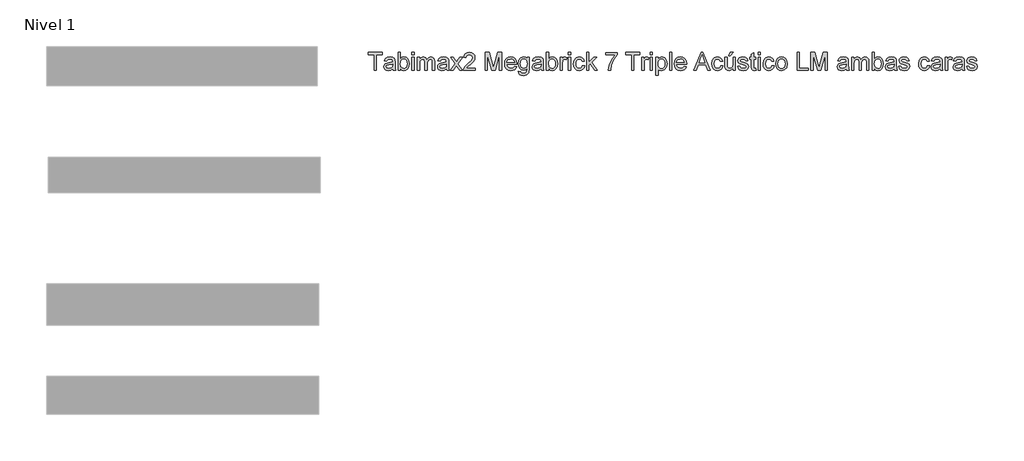
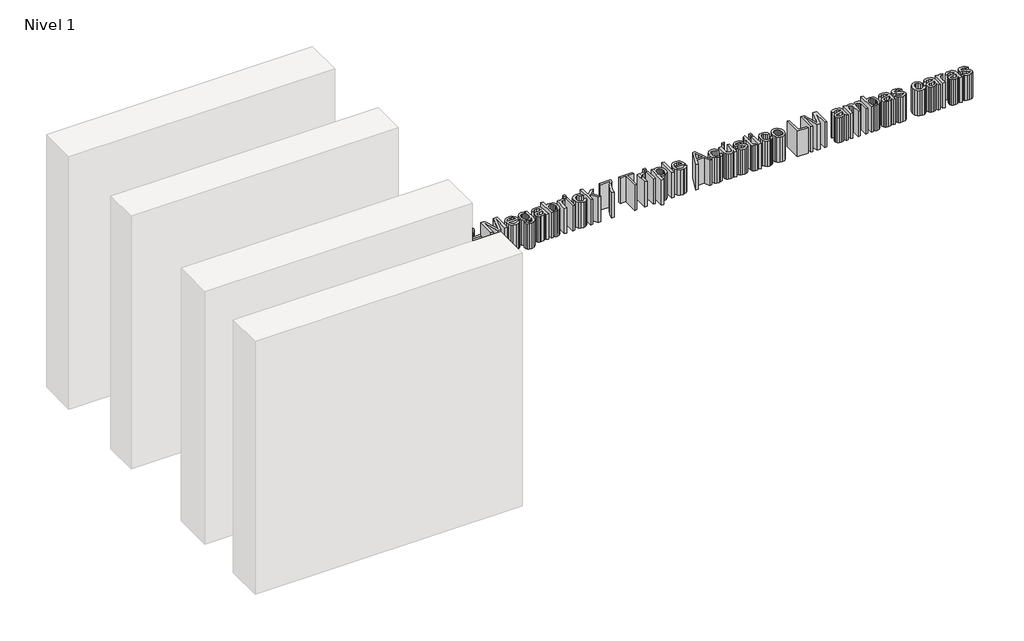
# One storey, part 2 of 2: 1 proxy.
"""IFC4 building model written with IfcOpenShell, lengths in millimetres."""

import ifcopenshell
import ifcopenshell.guid

model = None  # the IFC model being written
_history = None  # IfcOwnerHistory: only IFC2X3 demands one
_inside = {}  # id of a spatial element -> (the spatial element, [elements in it])
_under = {}  # id of a project, library or spatial element -> (it, [spatial elements below it])
_declared = {}  # id of a project -> (the project, [libraries it declares])
_typed = {}  # id of a type object -> (the type object, [elements of that type])
_made_of = {}  # id of a material, layer set ... -> (it, [elements and type objects made of it])


def new_model(schema):
    """Start an empty IFC model of exactly this schema.

    Asked for "IFC4X3", IfcOpenShell would pick the latest addendum, in which some entities
    have other attributes; the version numbers below select the first issue.
    IFC2X3 requires an IfcOwnerHistory on every rooted entity: one is made here for all.
    """
    global model, _history
    if schema == "IFC4X3":
        model = ifcopenshell.file(schema_version=(4, 3, 0, 0))
    else:
        model = ifcopenshell.file(schema=schema)
    _inside.clear()
    _under.clear()
    _declared.clear()
    _typed.clear()
    _made_of.clear()
    _history = None
    if model.schema == "IFC2X3":
        org = make("IfcOrganization", Name="unknown")
        user = make(
            "IfcPersonAndOrganization",
            ThePerson=make("IfcPerson", FamilyName="unknown"),
            TheOrganization=org,
        )
        app = make(
            "IfcApplication",
            ApplicationDeveloper=org,
            Version="unknown",
            ApplicationFullName="unknown",
            ApplicationIdentifier="unknown",
        )
        _history = make(
            "IfcOwnerHistory",
            OwningUser=user,
            OwningApplication=app,
            ChangeAction="ADDED",
            CreationDate=0,
        )
    return model


def make(cls, **values):
    """One entity of the class cls with the attributes given. An attribute that is None is left unset."""
    return model.create_entity(
        cls, **{name: value for name, value in values.items() if value is not None}
    )


def rooted(cls, **values):
    """An entity with a GlobalId (a new one), such as an element, a storey or a relation."""
    return make(cls, GlobalId=ifcopenshell.guid.new(), OwnerHistory=_history, **values)


def si_unit(unit_type, name, prefix=None):
    """IfcSIUnit, for example si_unit("LENGTHUNIT", "METRE", prefix="MILLI")."""
    return make("IfcSIUnit", UnitType=unit_type, Prefix=prefix, Name=name)


def assignment(units):
    """IfcUnitAssignment: the units of a project."""
    return None if units is None else make("IfcUnitAssignment", Units=units)


def point(xyz):
    """IfcCartesianPoint."""
    return None if xyz is None else make("IfcCartesianPoint", Coordinates=xyz)


def direction(xyz):
    """IfcDirection."""
    return None if xyz is None else make("IfcDirection", DirectionRatios=xyz)


def frame(location, z_axis=None, x_axis=None):
    """IfcAxis2Placement3D, a coordinate frame: its origin and axes. An axis left out is left unset."""
    return make(
        "IfcAxis2Placement3D",
        Location=point(location),
        Axis=direction(z_axis),
        RefDirection=direction(x_axis),
    )


def origin():
    """The frame at (0, 0, 0) with its axes left unset."""
    return frame((0.0, 0.0, 0.0))


def origin_with_axes():
    """The frame at (0, 0, 0) with the z axis (0, 0, 1) and the x axis (1, 0, 0) written out."""
    return frame((0.0, 0.0, 0.0), z_axis=(0.0, 0.0, 1.0), x_axis=(1.0, 0.0, 0.0))


def place(relative_to, where):
    """IfcLocalPlacement: puts the frame where relative to a parent placement (None: the world)."""
    return make(
        "IfcLocalPlacement", PlacementRelTo=relative_to, RelativePlacement=where
    )


def context(
    kind, dimensions, precision=None, world=None, true_north=None, identifier=None
):
    """IfcGeometricRepresentationContext, for example the 3D "Model" context."""
    return make(
        "IfcGeometricRepresentationContext",
        ContextIdentifier=identifier,
        ContextType=kind,
        CoordinateSpaceDimension=dimensions,
        Precision=precision,
        WorldCoordinateSystem=world,
        TrueNorth=true_north,
    )


def project(units=None, contexts=None):
    """IfcProject with its units and contexts."""
    return rooted(
        "IfcProject",
        Name="project",
        RepresentationContexts=contexts,
        UnitsInContext=assignment(units),
    )


def spatial(cls, under=None, at=None, **own):
    """A site, building, storey or space (cls), placed at a placement, below another one or the project."""
    s = rooted(cls, ObjectPlacement=at, **own)
    if under is not None:
        _under.setdefault(under.id(), (under, []))[1].append(s)
    return s


def polyline(points):
    """IfcPolyline through the points."""
    return make("IfcPolyline", Points=[point(p) for p in points])


def outline(outer, holes=None, kind="AREA"):
    """IfcArbitraryClosedProfileDef: a profile drawn as a closed curve; with holes, ...WithVoids."""
    if holes is None:
        return make("IfcArbitraryClosedProfileDef", ProfileType=kind, OuterCurve=outer)
    return make(
        "IfcArbitraryProfileDefWithVoids",
        ProfileType=kind,
        OuterCurve=outer,
        InnerCurves=holes,
    )


def extrude(swept, where, along, depth):
    """IfcExtrudedAreaSolid: the profile swept, set in the frame where, extruded along a direction by depth."""
    return make(
        "IfcExtrudedAreaSolid",
        SweptArea=swept,
        Position=where,
        ExtrudedDirection=direction(along),
        Depth=depth,
    )


def shape(context_of_items, identifier, shape_type, items):
    """IfcShapeRepresentation: the items that make up one representation, for example the "Body"."""
    return make(
        "IfcShapeRepresentation",
        ContextOfItems=context_of_items,
        RepresentationIdentifier=identifier,
        RepresentationType=shape_type,
        Items=items,
    )


def made_of(thing, what):
    """Note that an element or type object is made of a material, layer set ...; save() writes the relation."""
    if what is not None:
        _made_of.setdefault(what.id(), (what, []))[1].append(thing)
    return thing


def element(
    cls,
    number,
    at=None,
    inside=None,
    cuts=None,
    type_object=None,
    material=None,
    context=None,
    identifier="Body",
    shape_type=None,
    held_by="IfcProductDefinitionShape",
    body=None,
    shapes=None,
    **own,
):
    """One element of the class cls, such as IfcWall. Its Tag is "e" and its number.

    at: its placement. inside: the storey or other place that contains it. cuts: it is an
    opening in that element (IfcRelVoidsElement). A single representation is given by context,
    identifier, shape_type and body (its items); several are given by shapes. held_by: the class
    of the entity that holds the representations. save() writes the other relations.
    """
    e = rooted(cls, Tag="e%d" % number, ObjectPlacement=at, **own)
    if body is not None:
        shapes = [shape(context, identifier, shape_type, body)]
    if shapes is not None:
        e.Representation = make(held_by, Representations=shapes)
    if inside is not None:
        _inside.setdefault(inside.id(), (inside, []))[1].append(e)
    if cuts is not None:
        rooted(
            "IfcRelVoidsElement", RelatingBuildingElement=cuts, RelatedOpeningElement=e
        )
    if type_object is not None:
        _typed.setdefault(type_object.id(), (type_object, []))[1].append(e)
    return made_of(e, material)


def aggregate(whole, parts):
    """IfcRelAggregates: a whole, such as a stair, and the parts it consists of."""
    return rooted("IfcRelAggregates", RelatingObject=whole, RelatedObjects=parts)


def save(model, path):
    """Write the relations noted so far, then the file.

    IfcRelAggregates (storeys below a building ...), IfcRelContainedInSpatialStructure (elements
    in a storey), IfcRelDefinesByType, IfcRelAssociatesMaterial and IfcRelDeclares: one each for
    every whole, place, type object, material and project.
    """
    for whole, parts in _under.values():
        aggregate(whole, parts)
    for where, things in _inside.values():
        rooted(
            "IfcRelContainedInSpatialStructure",
            RelatedElements=things,
            RelatingStructure=where,
        )
    for kind, things in _typed.values():
        rooted("IfcRelDefinesByType", RelatedObjects=things, RelatingType=kind)
    for what, things in _made_of.values():
        rooted("IfcRelAssociatesMaterial", RelatedObjects=things, RelatingMaterial=what)
    for by, libraries in _declared.values():
        rooted("IfcRelDeclares", RelatingContext=by, RelatedDefinitions=libraries)
    model.write(path)


model = new_model("IFC4")

# Units and contexts
model_context = context("Model", 3, world=origin())
ifc_project = project(units=[si_unit("LENGTHUNIT", "METRE", prefix="MILLI")], contexts=[model_context])

# Site, building, storey
site = spatial("IfcSite", under=ifc_project)
building = spatial("IfcBuilding", under=site)
storey = spatial("IfcBuildingStorey", under=building, Name="Nivel 1", Elevation=0.0)

# Proxy
placement = place(None, origin())
element("IfcBuildingElementProxy", 1, Name="Texto de modelo 1", ObjectType="Texto de modelo 1", at=placement, inside=storey, context=model_context, shape_type="SweptSolid", body=[
    extrude(outline(polyline([(-13487.1634746, 9189.7919322), (-13487.1634746, 9275.9457784), (-13519.471167, 9275.9457784), (-13519.471167, 9288.2534707), (-13442.54809, 9288.2534707), (-13442.54809, 9275.9457784), (-13474.8557823, 9275.9457784), (-13474.8557823, 9189.7919322), (-13487.1634746, 9189.7919322)])), origin_with_axes(), (0.0, 0.0, 1.0), 150.0),
    extrude(outline(polyline([(-13384.0865516, 9199.0227014), (-13396.0216477, 9190.6813553), (-13409.2067439, 9188.2534707), (-13419.4922006, 9189.7138072), (-13427.07934, 9194.0948168), (-13431.7578256, 9200.7474611), (-13433.3173208, 9209.0227014), (-13430.9615516, 9218.7582784), (-13424.7716477, 9225.8255861), (-13416.1538593, 9229.8640476), (-13405.5048208, 9231.7150091), (-13384.158667, 9235.9457784), (-13384.0865516, 9238.686163), (-13387.4759746, 9247.7727014), (-13401.0817439, 9251.3303938), (-13413.533667, 9248.9626053), (-13419.471167, 9240.561163), (-13431.7788593, 9242.0996245), (-13426.45434, 9254.1188553), (-13415.7331862, 9261.1621245), (-13399.4952054, 9263.6380861), (-13384.57934, 9261.4505861), (-13376.1538593, 9255.9577976), (-13372.3798208, 9247.6044322), (-13371.7788593, 9236.8352014), (-13371.7788593, 9221.5227014), (-13371.1538593, 9200.1404899), (-13368.7019362, 9189.7919322), (-13381.0096285, 9189.7919322), (-13384.0865516, 9199.0227014)]), holes=[polyline([(-13384.0865516, 9223.6380861), (-13403.9423208, 9219.8640476), (-13414.5312631, 9217.8688553), (-13419.3269362, 9214.623663), (-13421.0096285, 9209.8880861), (-13417.3437631, 9203.2294322), (-13406.5865516, 9200.561163), (-13394.1346285, 9203.5058745), (-13386.1057823, 9210.6332784), (-13384.158667, 9220.1525091), (-13384.0865516, 9223.6380861)])]), origin_with_axes(), (0.0, 0.0, 1.0), 150.0),
    extrude(outline(polyline([(-13342.54809, 9189.7919322), (-13354.8557823, 9189.7919322), (-13354.8557823, 9288.2534707), (-13342.54809, 9288.2534707), (-13342.54809, 9251.7390476), (-13333.9303016, 9260.6633264), (-13323.221167, 9263.6380861), (-13310.8894362, 9260.9577976), (-13301.3221285, 9253.4217399), (-13295.4447246, 9241.7029899), (-13293.3173208, 9227.0275091), (-13295.5198448, 9210.5972207), (-13302.127417, 9198.373663), (-13311.8239314, 9190.7835188), (-13323.2932823, 9188.2534707), (-13334.236792, 9191.5166918), (-13342.54809, 9201.3063553), (-13342.54809, 9189.7919322)]), holes=[polyline([(-13342.54809, 9226.4505861), (-13339.1827054, 9209.2390476), (-13332.7343881, 9202.7306341), (-13324.3509746, 9200.561163), (-13317.2476093, 9202.1597207), (-13311.1778977, 9206.9553938), (-13307.0132343, 9214.9181341), (-13305.6250131, 9226.0178938), (-13306.9561429, 9237.279913), (-13310.9495323, 9245.1525091), (-13316.829941, 9249.7859226), (-13323.8221285, 9251.3303938), (-13330.9254939, 9249.7318361), (-13336.9952054, 9244.936163), (-13341.1598689, 9237.1176534), (-13342.54809, 9226.4505861)])]), origin_with_axes(), (0.0, 0.0, 1.0), 150.0),
    extrude(outline(polyline([(-13279.471167, 9189.7919322), (-13279.471167, 9262.0996245), (-13267.1634746, 9262.0996245), (-13267.1634746, 9189.7919322), (-13279.471167, 9189.7919322)])), origin_with_axes(), (0.0, 0.0, 1.0), 150.0),
    extrude(outline(polyline([(-13279.471167, 9275.9457784), (-13279.471167, 9288.2534707), (-13267.1634746, 9288.2534707), (-13267.1634746, 9275.9457784), (-13279.471167, 9275.9457784)])), origin_with_axes(), (0.0, 0.0, 1.0), 150.0),
    extrude(outline(polyline([(-13248.7019362, 9189.7919322), (-13248.7019362, 9262.0996245), (-13236.3942439, 9262.0996245), (-13236.3942439, 9250.2005861), (-13227.9327054, 9259.9481822), (-13215.8894362, 9263.6380861), (-13203.5577054, 9259.8760668), (-13196.7788593, 9249.3352014), (-13187.1754939, 9260.0623649), (-13175.04809, 9263.6380861), (-13165.7962871, 9262.1507063), (-13158.95434, 9257.6885668), (-13154.7265756, 9250.1314755), (-13153.3173208, 9239.3592399), (-13153.3173208, 9189.7919322), (-13165.6250131, 9189.7919322), (-13165.6250131, 9234.0707784), (-13166.76684, 9244.3472207), (-13170.9014554, 9249.4073168), (-13177.9327054, 9251.3303938), (-13190.0360708, 9246.4025091), (-13194.8557823, 9230.6092399), (-13194.8557823, 9189.7919322), (-13207.1634746, 9189.7919322), (-13207.1634746, 9235.4409707), (-13210.0120323, 9247.3640476), (-13219.3509746, 9251.3303938), (-13228.4615516, 9248.686163), (-13234.5192439, 9240.9457784), (-13236.3942439, 9226.2582784), (-13236.3942439, 9189.7919322), (-13248.7019362, 9189.7919322)])), origin_with_axes(), (0.0, 0.0, 1.0), 150.0),
    extrude(outline(polyline([(-13088.7019362, 9199.0227014), (-13100.6370323, 9190.6813553), (-13113.8221285, 9188.2534707), (-13124.1075852, 9189.7138072), (-13131.6947246, 9194.0948168), (-13136.3732102, 9200.7474611), (-13137.9327054, 9209.0227014), (-13135.5769362, 9218.7582784), (-13129.3870323, 9225.8255861), (-13120.7692439, 9229.8640476), (-13110.1202054, 9231.7150091), (-13088.7740516, 9235.9457784), (-13088.7019362, 9238.686163), (-13092.0913593, 9247.7727014), (-13105.6971285, 9251.3303938), (-13118.1490516, 9248.9626053), (-13124.0865516, 9240.561163), (-13136.3942439, 9242.0996245), (-13131.0697246, 9254.1188553), (-13120.3485708, 9261.1621245), (-13104.11059, 9263.6380861), (-13089.1947246, 9261.4505861), (-13080.7692439, 9255.9577976), (-13076.9952054, 9247.6044322), (-13076.3942439, 9236.8352014), (-13076.3942439, 9221.5227014), (-13075.7692439, 9200.1404899), (-13073.3173208, 9189.7919322), (-13085.6250131, 9189.7919322), (-13088.7019362, 9199.0227014)]), holes=[polyline([(-13088.7019362, 9223.6380861), (-13108.5577054, 9219.8640476), (-13119.1466477, 9217.8688553), (-13123.9423208, 9214.623663), (-13125.6250131, 9209.8880861), (-13121.9591477, 9203.2294322), (-13111.2019362, 9200.561163), (-13098.7500131, 9203.5058745), (-13090.721167, 9210.6332784), (-13088.7740516, 9220.1525091), (-13088.7019362, 9223.6380861)])]), origin_with_axes(), (0.0, 0.0, 1.0), 150.0),
    extrude(outline(polyline([(-13067.1634746, 9189.7919322), (-13040.8653977, 9226.1380861), (-13065.6250131, 9262.0996245), (-13050.8173208, 9262.0996245), (-13038.8702054, 9244.7919322), (-13033.2932823, 9236.6188553), (-13028.4615516, 9243.3015476), (-13014.8557823, 9262.0996245), (-13000.04809, 9262.0996245), (-13026.0577054, 9226.1380861), (-13001.0096285, 9189.7919322), (-13015.8173208, 9189.7919322), (-13030.8894362, 9211.6428938), (-13033.6538593, 9215.6332784), (-13052.3557823, 9189.7919322), (-13067.1634746, 9189.7919322)])), origin_with_axes(), (0.0, 0.0, 1.0), 150.0),
    extrude(outline(polyline([(-12930.2403977, 9202.0996245), (-12930.2403977, 9189.7919322), (-12994.8557823, 9189.7919322), (-12993.533667, 9198.2775091), (-12986.0577054, 9211.342413), (-12970.6490516, 9225.6092399), (-12949.3990516, 9246.1140476), (-12944.0865516, 9260.0563553), (-12949.0985708, 9271.342413), (-12962.1875131, 9275.9457784), (-12975.82934, 9271.4505861), (-12981.0096285, 9259.0227014), (-12993.3173208, 9260.561163), (-12990.3335468, 9272.4662111), (-12983.8822246, 9281.1621245), (-12974.2998929, 9286.4806341), (-12961.92309, 9288.2534707), (-12949.4561429, 9286.2823168), (-12939.89184, 9280.3688553), (-12933.8071045, 9271.5347207), (-12931.7788593, 9260.8015476), (-12933.9663593, 9249.1308745), (-12941.2379939, 9237.0635668), (-12958.8702054, 9220.2005861), (-12973.0288593, 9208.3616438), (-12978.5817439, 9202.0996245), (-12930.2403977, 9202.0996245)])), origin_with_axes(), (0.0, 0.0, 1.0), 150.0),
    extrude(outline(polyline([(-12874.8557823, 9189.7919322), (-12874.8557823, 9288.2534707), (-12853.6778977, 9288.2534707), (-12833.533667, 9218.8544322), (-12829.471167, 9204.3592399), (-12825.0721285, 9220.0563553), (-12805.2644362, 9288.2534707), (-12784.0865516, 9288.2534707), (-12784.0865516, 9189.7919322), (-12796.3942439, 9189.7919322), (-12796.3942439, 9275.9457784), (-12821.1298208, 9189.7919322), (-12837.8125131, 9189.7919322), (-12862.54809, 9275.9457784), (-12862.54809, 9189.7919322), (-12874.8557823, 9189.7919322)])), origin_with_axes(), (0.0, 0.0, 1.0), 150.0),
    extrude(outline(polyline([(-12713.4615516, 9211.3303938), (-12701.3942439, 9209.7919322), (-12705.7422006, 9200.6993841), (-12712.6803016, 9193.9025091), (-12722.0522968, 9189.6657303), (-12733.7019362, 9188.2534707), (-12748.143042, 9190.6903697), (-12759.2548208, 9198.0010668), (-12766.3401573, 9209.7108024), (-12768.7019362, 9225.3448168), (-12766.3161189, 9241.5046726), (-12759.158667, 9253.5900091), (-12748.1971285, 9261.1260668), (-12734.3990516, 9263.6380861), (-12721.0306621, 9261.1320764), (-12710.3485708, 9253.6140476), (-12703.3443641, 9241.5527495), (-12701.0096285, 9225.4169322), (-12701.0817439, 9222.0996245), (-12756.3942439, 9222.0996245), (-12754.2638352, 9212.8868841), (-12749.314917, 9206.1140476), (-12733.4615516, 9200.561163), (-12721.3942439, 9203.1332784), (-12713.4615516, 9211.3303938)]), holes=[polyline([(-12756.3942439, 9234.4073168), (-12713.3173208, 9234.4073168), (-12718.2452054, 9245.561163), (-12725.4206862, 9249.8880861), (-12734.4471285, 9251.3303938), (-12749.6033785, 9246.7270284), (-12756.3942439, 9234.4073168)])]), origin_with_axes(), (0.0, 0.0, 1.0), 150.0),
    extrude(outline(polyline([(-12691.7788593, 9183.6380861), (-12679.471167, 9182.0996245), (-12675.4807823, 9175.6092399), (-12663.533667, 9172.8688553), (-12650.9375131, 9175.9698168), (-12644.9278977, 9184.6717399), (-12644.0865516, 9199.0227014), (-12652.752417, 9192.0996245), (-12663.3173208, 9189.7919322), (-12676.0066237, 9192.4782303), (-12685.4687631, 9200.5371245), (-12691.3551814, 9212.3520284), (-12693.3173208, 9226.3063553), (-12689.7956862, 9245.3808745), (-12679.6033785, 9258.8784707), (-12663.9182823, 9263.6380861), (-12652.938715, 9260.9457784), (-12644.0865516, 9252.8688553), (-12644.0865516, 9262.0996245), (-12631.7788593, 9262.0996245), (-12631.7788593, 9199.6717399), (-12635.1442439, 9175.7654899), (-12645.8053016, 9164.6477014), (-12663.7740516, 9160.561163), (-12675.2253737, 9162.0004659), (-12684.2428016, 9166.3183745), (-12690.0270564, 9173.5269082), (-12691.7788593, 9183.6380861)]), holes=[polyline([(-12681.0096285, 9227.1477014), (-12679.6965275, 9215.8586389), (-12675.7572246, 9208.0972207), (-12669.8347487, 9203.5990236), (-12662.5721285, 9202.0996245), (-12655.3635948, 9203.5900091), (-12649.4110708, 9208.061163), (-12645.4176814, 9215.7234226), (-12644.0865516, 9226.7871245), (-12645.4567439, 9237.4571966), (-12649.5673208, 9245.1404899), (-12655.6069843, 9249.7829178), (-12662.7644362, 9251.3303938), (-12669.7926814, 9249.8069563), (-12675.6851093, 9245.2366438), (-12679.6784987, 9237.6675332), (-12681.0096285, 9227.1477014)])]), origin_with_axes(), (0.0, 0.0, 1.0), 150.0),
    extrude(outline(polyline([(-12567.1634746, 9199.0227014), (-12579.0985708, 9190.6813553), (-12592.283667, 9188.2534707), (-12602.5691237, 9189.7138072), (-12610.1562631, 9194.0948168), (-12614.8347487, 9200.7474611), (-12616.3942439, 9209.0227014), (-12614.0384746, 9218.7582784), (-12607.8485708, 9225.8255861), (-12599.2307823, 9229.8640476), (-12588.5817439, 9231.7150091), (-12567.23559, 9235.9457784), (-12567.1634746, 9238.686163), (-12570.5528977, 9247.7727014), (-12584.158667, 9251.3303938), (-12596.61059, 9248.9626053), (-12602.54809, 9240.561163), (-12614.8557823, 9242.0996245), (-12609.5312631, 9254.1188553), (-12598.8101093, 9261.1621245), (-12582.5721285, 9263.6380861), (-12567.6562631, 9261.4505861), (-12559.2307823, 9255.9577976), (-12555.4567439, 9247.6044322), (-12554.8557823, 9236.8352014), (-12554.8557823, 9221.5227014), (-12554.2307823, 9200.1404899), (-12551.7788593, 9189.7919322), (-12564.0865516, 9189.7919322), (-12567.1634746, 9199.0227014)]), holes=[polyline([(-12567.1634746, 9223.6380861), (-12587.0192439, 9219.8640476), (-12597.6081862, 9217.8688553), (-12602.4038593, 9214.623663), (-12604.0865516, 9209.8880861), (-12600.4206862, 9203.2294322), (-12589.6634746, 9200.561163), (-12577.2115516, 9203.5058745), (-12569.1827054, 9210.6332784), (-12567.23559, 9220.1525091), (-12567.1634746, 9223.6380861)])]), origin_with_axes(), (0.0, 0.0, 1.0), 150.0),
    extrude(outline(polyline([(-12525.6250131, 9189.7919322), (-12537.9327054, 9189.7919322), (-12537.9327054, 9288.2534707), (-12525.6250131, 9288.2534707), (-12525.6250131, 9251.7390476), (-12517.0072246, 9260.6633264), (-12506.29809, 9263.6380861), (-12493.9663593, 9260.9577976), (-12484.3990516, 9253.4217399), (-12478.5216477, 9241.7029899), (-12476.3942439, 9227.0275091), (-12478.5967679, 9210.5972207), (-12485.20434, 9198.373663), (-12494.9008545, 9190.7835188), (-12506.3702054, 9188.2534707), (-12517.313715, 9191.5166918), (-12525.6250131, 9201.3063553), (-12525.6250131, 9189.7919322)]), holes=[polyline([(-12525.6250131, 9226.4505861), (-12522.2596285, 9209.2390476), (-12515.8113112, 9202.7306341), (-12507.4278977, 9200.561163), (-12500.3245323, 9202.1597207), (-12494.2548208, 9206.9553938), (-12490.0901573, 9214.9181341), (-12488.7019362, 9226.0178938), (-12490.033066, 9237.279913), (-12494.0264554, 9245.1525091), (-12499.9068641, 9249.7859226), (-12506.8990516, 9251.3303938), (-12514.002417, 9249.7318361), (-12520.0721285, 9244.936163), (-12524.236792, 9237.1176534), (-12525.6250131, 9226.4505861)])]), origin_with_axes(), (0.0, 0.0, 1.0), 150.0),
    extrude(outline(polyline([(-12462.54809, 9189.7919322), (-12462.54809, 9262.0996245), (-12451.7788593, 9262.0996245), (-12451.7788593, 9251.4025091), (-12444.1346285, 9261.2582784), (-12436.4423208, 9263.6380861), (-12424.0865516, 9259.8400091), (-12428.1971285, 9248.8063553), (-12436.8509746, 9251.3303938), (-12443.8101093, 9248.9025091), (-12448.2452054, 9242.1717399), (-12450.2403977, 9227.7967399), (-12450.2403977, 9189.7919322), (-12462.54809, 9189.7919322)])), origin_with_axes(), (0.0, 0.0, 1.0), 150.0),
    extrude(outline(polyline([(-12416.3942439, 9189.7919322), (-12416.3942439, 9262.0996245), (-12404.0865516, 9262.0996245), (-12404.0865516, 9189.7919322), (-12416.3942439, 9189.7919322)])), origin_with_axes(), (0.0, 0.0, 1.0), 150.0),
    extrude(outline(polyline([(-12416.3942439, 9275.9457784), (-12416.3942439, 9288.2534707), (-12404.0865516, 9288.2534707), (-12404.0865516, 9275.9457784), (-12416.3942439, 9275.9457784)])), origin_with_axes(), (0.0, 0.0, 1.0), 150.0),
    extrude(outline(polyline([(-12339.471167, 9215.9457784), (-12327.1634746, 9214.4073168), (-12330.594965, 9203.4608024), (-12337.0432823, 9195.1885668), (-12345.9014554, 9189.9872447), (-12356.5625131, 9188.2534707), (-12369.6544602, 9190.6723409), (-12379.89184, 9197.9289514), (-12386.4994121, 9209.7047928), (-12388.7019362, 9225.6813553), (-12384.939917, 9246.1260668), (-12373.4735708, 9259.2630861), (-12356.7307823, 9263.6380861), (-12346.3311429, 9262.1356822), (-12338.01684, 9257.6284707), (-12332.0522968, 9250.3568361), (-12328.7019362, 9240.561163), (-12341.0096285, 9239.0227014), (-12346.7187631, 9248.2414514), (-12356.6346285, 9251.3303938), (-12364.5883545, 9249.8099611), (-12370.9014554, 9245.248663), (-12375.0210468, 9237.4001053), (-12376.3942439, 9226.0178938), (-12375.0510948, 9214.482437), (-12371.0216477, 9206.6068361), (-12364.8227295, 9202.0725813), (-12356.971167, 9200.561163), (-12345.3726093, 9204.3352014), (-12339.471167, 9215.9457784)])), origin_with_axes(), (0.0, 0.0, 1.0), 150.0),
    extrude(outline(polyline([(-12316.3942439, 9189.7919322), (-12316.3942439, 9288.2534707), (-12304.0865516, 9288.2534707), (-12304.0865516, 9235.3448168), (-12276.4903977, 9262.0996245), (-12259.471167, 9262.0996245), (-12287.4038593, 9235.0082784), (-12257.9327054, 9189.7919322), (-12272.3077054, 9189.7919322), (-12296.2259746, 9226.4505861), (-12304.0865516, 9218.8303938), (-12304.0865516, 9189.7919322), (-12316.3942439, 9189.7919322)])), origin_with_axes(), (0.0, 0.0, 1.0), 150.0),
    extrude(outline(polyline([(-12211.7788593, 9274.4073168), (-12211.7788593, 9286.7150091), (-12147.1634746, 9286.7150091), (-12147.1634746, 9276.7630861), (-12165.4928016, 9250.2847207), (-12179.5192439, 9216.5467399), (-12184.0865516, 9189.7919322), (-12196.3942439, 9189.7919322), (-12191.502417, 9217.5563553), (-12178.0769362, 9248.9385668), (-12159.471167, 9274.4073168), (-12211.7788593, 9274.4073168)])), origin_with_axes(), (0.0, 0.0, 1.0), 150.0),
    extrude(outline(polyline([(-12068.7019362, 9189.7919322), (-12068.7019362, 9275.9457784), (-12101.0096285, 9275.9457784), (-12101.0096285, 9288.2534707), (-12024.0865516, 9288.2534707), (-12024.0865516, 9275.9457784), (-12056.3942439, 9275.9457784), (-12056.3942439, 9189.7919322), (-12068.7019362, 9189.7919322)])), origin_with_axes(), (0.0, 0.0, 1.0), 150.0),
    extrude(outline(polyline([(-12011.7788593, 9189.7919322), (-12011.7788593, 9262.0996245), (-12001.0096285, 9262.0996245), (-12001.0096285, 9251.4025091), (-11993.3653977, 9261.2582784), (-11985.67309, 9263.6380861), (-11973.3173208, 9259.8400091), (-11977.4278977, 9248.8063553), (-11986.0817439, 9251.3303938), (-11993.0408785, 9248.9025091), (-11997.4759746, 9242.1717399), (-11999.471167, 9227.7967399), (-11999.471167, 9189.7919322), (-12011.7788593, 9189.7919322)])), origin_with_axes(), (0.0, 0.0, 1.0), 150.0),
    extrude(outline(polyline([(-11965.6250131, 9189.7919322), (-11965.6250131, 9262.0996245), (-11953.3173208, 9262.0996245), (-11953.3173208, 9189.7919322), (-11965.6250131, 9189.7919322)])), origin_with_axes(), (0.0, 0.0, 1.0), 150.0),
    extrude(outline(polyline([(-11965.6250131, 9275.9457784), (-11965.6250131, 9288.2534707), (-11953.3173208, 9288.2534707), (-11953.3173208, 9275.9457784), (-11965.6250131, 9275.9457784)])), origin_with_axes(), (0.0, 0.0, 1.0), 150.0),
    extrude(outline(polyline([(-11934.8557823, 9162.0996245), (-11934.8557823, 9262.0996245), (-11922.54809, 9262.0996245), (-11922.54809, 9250.0323168), (-11914.0384746, 9260.2366438), (-11902.54809, 9263.6380861), (-11886.9471285, 9258.8784707), (-11876.7548208, 9245.4650091), (-11873.3173208, 9226.498663), (-11877.1995323, 9206.5587591), (-11888.4735708, 9192.9770284), (-11904.0384746, 9188.2534707), (-11914.7476093, 9191.4145284), (-11922.54809, 9199.4073168), (-11922.54809, 9162.0996245), (-11934.8557823, 9162.0996245)]), holes=[polyline([(-11922.54809, 9225.3688553), (-11921.2169602, 9214.3352014), (-11917.2235708, 9206.6188553), (-11911.3311429, 9202.0755861), (-11904.3028977, 9200.561163), (-11897.1604698, 9202.1296726), (-11891.1178016, 9206.8352014), (-11886.9982102, 9214.8339995), (-11885.6250131, 9226.2823168), (-11886.9651573, 9237.2558745), (-11890.98559, 9245.0803938), (-11896.8690035, 9249.7678938), (-11903.79809, 9251.3303938), (-11910.7542198, 9249.6687351), (-11916.8629939, 9244.6837591), (-11921.126816, 9236.5317159), (-11922.54809, 9225.3688553)])]), origin_with_axes(), (0.0, 0.0, 1.0), 150.0),
    extrude(outline(polyline([(-11859.471167, 9189.7919322), (-11859.471167, 9288.2534707), (-11847.1634746, 9288.2534707), (-11847.1634746, 9189.7919322), (-11859.471167, 9189.7919322)])), origin_with_axes(), (0.0, 0.0, 1.0), 150.0),
    extrude(outline(polyline([(-11778.0769362, 9211.3303938), (-11766.0096285, 9209.7919322), (-11770.3575852, 9200.6993841), (-11777.2956862, 9193.9025091), (-11786.6676814, 9189.6657303), (-11798.3173208, 9188.2534707), (-11812.7584266, 9190.6903697), (-11823.8702054, 9198.0010668), (-11830.955542, 9209.7108024), (-11833.3173208, 9225.3448168), (-11830.9315035, 9241.5046726), (-11823.7740516, 9253.5900091), (-11812.8125131, 9261.1260668), (-11799.0144362, 9263.6380861), (-11785.6460468, 9261.1320764), (-11774.9639554, 9253.6140476), (-11767.9597487, 9241.5527495), (-11765.6250131, 9225.4169322), (-11765.6971285, 9222.0996245), (-11821.0096285, 9222.0996245), (-11818.8792198, 9212.8868841), (-11813.9303016, 9206.1140476), (-11798.0769362, 9200.561163), (-11786.0096285, 9203.1332784), (-11778.0769362, 9211.3303938)]), holes=[polyline([(-11821.0096285, 9234.4073168), (-11777.9327054, 9234.4073168), (-11782.86059, 9245.561163), (-11790.0360708, 9249.8880861), (-11799.0625131, 9251.3303938), (-11814.2187631, 9246.7270284), (-11821.0096285, 9234.4073168)])]), origin_with_axes(), (0.0, 0.0, 1.0), 150.0),
    extrude(outline(polyline([(-11724.783667, 9189.7919322), (-11685.4807823, 9288.2534707), (-11675.0000131, 9288.2534707), (-11635.6971285, 9189.7919322), (-11648.7019362, 9189.7919322), (-11659.9759746, 9220.561163), (-11700.5288593, 9220.561163), (-11711.7788593, 9189.7919322), (-11724.783667, 9189.7919322)]), holes=[polyline([(-11696.0096285, 9232.8688553), (-11664.471167, 9232.8688553), (-11673.3413593, 9257.0755861), (-11680.2403977, 9275.9457784), (-11686.3702054, 9259.1909707), (-11696.0096285, 9232.8688553)])]), origin_with_axes(), (0.0, 0.0, 1.0), 150.0),
    extrude(outline(polyline([(-11577.9327054, 9215.9457784), (-11565.6250131, 9214.4073168), (-11569.0565035, 9203.4608024), (-11575.5048208, 9195.1885668), (-11584.3629939, 9189.9872447), (-11595.0240516, 9188.2534707), (-11608.1159987, 9190.6723409), (-11618.3533785, 9197.9289514), (-11624.9609506, 9209.7047928), (-11627.1634746, 9225.6813553), (-11623.4014554, 9246.1260668), (-11611.9351093, 9259.2630861), (-11595.1923208, 9263.6380861), (-11584.7926814, 9262.1356822), (-11576.4783785, 9257.6284707), (-11570.5138352, 9250.3568361), (-11567.1634746, 9240.561163), (-11579.471167, 9239.0227014), (-11585.1803016, 9248.2414514), (-11595.096167, 9251.3303938), (-11603.0498929, 9249.8099611), (-11609.3629939, 9245.248663), (-11613.4825852, 9237.4001053), (-11614.8557823, 9226.0178938), (-11613.5126333, 9214.482437), (-11609.4831862, 9206.6068361), (-11603.2842679, 9202.0725813), (-11595.4327054, 9200.561163), (-11583.8341477, 9204.3352014), (-11577.9327054, 9215.9457784)])), origin_with_axes(), (0.0, 0.0, 1.0), 150.0),
    extrude(outline(polyline([(-11533.3173208, 9269.7919322), (-11524.0865516, 9288.2534707), (-11508.7019362, 9288.2534707), (-11524.0865516, 9269.7919322), (-11533.3173208, 9269.7919322)])), origin_with_axes(), (0.0, 0.0, 1.0), 150.0),
    extrude(outline(polyline([(-11508.7019362, 9189.7919322), (-11508.7019362, 9202.2198168), (-11518.3413593, 9191.7450572), (-11530.9134746, 9188.2534707), (-11542.4879939, 9190.7053938), (-11550.4687631, 9196.8592399), (-11554.1346285, 9205.9217399), (-11554.8557823, 9217.3640476), (-11554.8557823, 9262.0996245), (-11542.54809, 9262.0996245), (-11542.54809, 9223.1573168), (-11541.8028977, 9210.6092399), (-11536.9351093, 9203.2414514), (-11527.7644362, 9200.561163), (-11517.4879939, 9203.3015476), (-11510.6971285, 9210.7654899), (-11508.7019362, 9224.4794322), (-11508.7019362, 9262.0996245), (-11496.3942439, 9262.0996245), (-11496.3942439, 9189.7919322), (-11508.7019362, 9189.7919322)])), origin_with_axes(), (0.0, 0.0, 1.0), 150.0),
    extrude(outline(polyline([(-11484.0865516, 9211.3303938), (-11471.7788593, 9212.8688553), (-11466.0817439, 9203.7342399), (-11453.0288593, 9200.561163), (-11440.4807823, 9203.4698168), (-11436.3942439, 9210.2967399), (-11440.5048208, 9215.8255861), (-11453.17309, 9219.3352014), (-11471.7067439, 9225.3568361), (-11479.7956862, 9232.3880861), (-11482.54809, 9242.3159707), (-11480.3365516, 9251.4866438), (-11474.3028977, 9258.4938553), (-11466.4783785, 9262.1356822), (-11455.8894362, 9263.6380861), (-11440.9134746, 9261.2222207), (-11431.3942439, 9254.6837591), (-11427.1634746, 9243.6380861), (-11439.471167, 9242.0996245), (-11444.0985708, 9248.8904899), (-11454.9278977, 9251.3303938), (-11466.7067439, 9248.998663), (-11470.2403977, 9243.5659707), (-11468.7740516, 9239.9842399), (-11464.1827054, 9237.2678938), (-11453.5817439, 9234.6477014), (-11435.51684, 9228.8544322), (-11427.127417, 9222.2919322), (-11424.0865516, 9211.5948168), (-11427.6562631, 9199.8159707), (-11437.9567439, 9191.2702976), (-11453.1971285, 9188.2534707), (-11465.6069843, 9189.7077976), (-11474.6634746, 9194.0707784), (-11480.7091477, 9201.2943361), (-11484.0865516, 9211.3303938)])), origin_with_axes(), (0.0, 0.0, 1.0), 150.0),
    extrude(outline(polyline([(-11384.0865516, 9200.0563553), (-11382.54809, 9189.4313553), (-11391.7548208, 9188.2534707), (-11402.0673208, 9190.2967399), (-11407.2115516, 9195.6573168), (-11408.7019362, 9209.623663), (-11408.7019362, 9249.7919322), (-11417.9327054, 9249.7919322), (-11417.9327054, 9262.0996245), (-11408.7019362, 9262.0996245), (-11408.7019362, 9279.6717399), (-11396.3942439, 9286.9073168), (-11396.3942439, 9262.0996245), (-11384.0865516, 9262.0996245), (-11384.0865516, 9249.7919322), (-11396.3942439, 9249.7919322), (-11396.3942439, 9209.9842399), (-11395.7452054, 9203.6380861), (-11393.64184, 9201.3904899), (-11389.4471285, 9200.561163), (-11384.0865516, 9200.0563553)])), origin_with_axes(), (0.0, 0.0, 1.0), 150.0),
    extrude(outline(polyline([(-11371.7788593, 9189.7919322), (-11371.7788593, 9262.0996245), (-11359.471167, 9262.0996245), (-11359.471167, 9189.7919322), (-11371.7788593, 9189.7919322)])), origin_with_axes(), (0.0, 0.0, 1.0), 150.0),
    extrude(outline(polyline([(-11371.7788593, 9275.9457784), (-11371.7788593, 9288.2534707), (-11359.471167, 9288.2534707), (-11359.471167, 9275.9457784), (-11371.7788593, 9275.9457784)])), origin_with_axes(), (0.0, 0.0, 1.0), 150.0),
    extrude(outline(polyline([(-11294.8557823, 9215.9457784), (-11282.54809, 9214.4073168), (-11285.9795804, 9203.4608024), (-11292.4278977, 9195.1885668), (-11301.2860708, 9189.9872447), (-11311.9471285, 9188.2534707), (-11325.0390756, 9190.6723409), (-11335.2764554, 9197.9289514), (-11341.8840275, 9209.7047928), (-11344.0865516, 9225.6813553), (-11340.3245323, 9246.1260668), (-11328.8581862, 9259.2630861), (-11312.1153977, 9263.6380861), (-11301.7157583, 9262.1356822), (-11293.4014554, 9257.6284707), (-11287.4369121, 9250.3568361), (-11284.0865516, 9240.561163), (-11296.3942439, 9239.0227014), (-11302.1033785, 9248.2414514), (-11312.0192439, 9251.3303938), (-11319.9729698, 9249.8099611), (-11326.2860708, 9245.248663), (-11330.4056621, 9237.4001053), (-11331.7788593, 9226.0178938), (-11330.4357102, 9214.482437), (-11326.4062631, 9206.6068361), (-11320.2073448, 9202.0725813), (-11312.3557823, 9200.561163), (-11300.7572246, 9204.3352014), (-11294.8557823, 9215.9457784)])), origin_with_axes(), (0.0, 0.0, 1.0), 150.0),
    extrude(outline(polyline([(-11274.8557823, 9225.9457784), (-11272.1935227, 9243.3796726), (-11264.2067439, 9255.6332784), (-11254.3389554, 9261.6368841), (-11242.5240516, 9263.6380861), (-11229.5943641, 9261.201187), (-11219.26684, 9253.8904899), (-11212.4970083, 9242.2829178), (-11210.2403977, 9226.9553938), (-11214.2307823, 9205.0563553), (-11225.8533785, 9192.6645284), (-11242.5240516, 9188.2534707), (-11255.6099891, 9190.6813553), (-11265.9254939, 9197.9650091), (-11272.6232102, 9209.8159707), (-11274.8557823, 9225.9457784)]), holes=[polyline([(-11262.54809, 9225.9698168), (-11261.1238112, 9214.8309947), (-11256.8509746, 9206.8952976), (-11250.4206862, 9202.1446966), (-11242.5240516, 9200.561163), (-11234.6634746, 9202.1537111), (-11228.2452054, 9206.9313553), (-11223.9723689, 9214.9722207), (-11222.54809, 9226.3544322), (-11223.9813833, 9237.1687351), (-11228.2812631, 9244.9962591), (-11234.7085468, 9249.7468601), (-11242.5240516, 9251.3303938), (-11250.4206862, 9249.7528697), (-11256.8509746, 9245.0202976), (-11261.1238112, 9237.1026293), (-11262.54809, 9225.9698168)])]), origin_with_axes(), (0.0, 0.0, 1.0), 150.0),
    extrude(outline(polyline([(-11156.3942439, 9189.7919322), (-11156.3942439, 9288.2534707), (-11144.0865516, 9288.2534707), (-11144.0865516, 9202.0996245), (-11094.8557823, 9202.0996245), (-11094.8557823, 9189.7919322), (-11156.3942439, 9189.7919322)])), origin_with_axes(), (0.0, 0.0, 1.0), 150.0),
    extrude(outline(polyline([(-11081.0096285, 9189.7919322), (-11081.0096285, 9288.2534707), (-11059.8317439, 9288.2534707), (-11039.6875131, 9218.8544322), (-11035.6250131, 9204.3592399), (-11031.2259746, 9220.0563553), (-11011.4182823, 9288.2534707), (-10990.2403977, 9288.2534707), (-10990.2403977, 9189.7919322), (-11002.54809, 9189.7919322), (-11002.54809, 9275.9457784), (-11027.283667, 9189.7919322), (-11043.9663593, 9189.7919322), (-11068.7019362, 9275.9457784), (-11068.7019362, 9189.7919322), (-11081.0096285, 9189.7919322)])), origin_with_axes(), (0.0, 0.0, 1.0), 150.0),
    extrude(outline(polyline([(-10885.6250131, 9199.0227014), (-10897.5601093, 9190.6813553), (-10910.7452054, 9188.2534707), (-10921.0306621, 9189.7138072), (-10928.6178016, 9194.0948168), (-10933.2962871, 9200.7474611), (-10934.8557823, 9209.0227014), (-10932.5000131, 9218.7582784), (-10926.3101093, 9225.8255861), (-10917.6923208, 9229.8640476), (-10907.0432823, 9231.7150091), (-10885.6971285, 9235.9457784), (-10885.6250131, 9238.686163), (-10889.0144362, 9247.7727014), (-10902.6202054, 9251.3303938), (-10915.0721285, 9248.9626053), (-10921.0096285, 9240.561163), (-10933.3173208, 9242.0996245), (-10927.9928016, 9254.1188553), (-10917.2716477, 9261.1621245), (-10901.033667, 9263.6380861), (-10886.1178016, 9261.4505861), (-10877.6923208, 9255.9577976), (-10873.9182823, 9247.6044322), (-10873.3173208, 9236.8352014), (-10873.3173208, 9221.5227014), (-10872.6923208, 9200.1404899), (-10870.2403977, 9189.7919322), (-10882.54809, 9189.7919322), (-10885.6250131, 9199.0227014)]), holes=[polyline([(-10885.6250131, 9223.6380861), (-10905.4807823, 9219.8640476), (-10916.0697246, 9217.8688553), (-10920.8653977, 9214.623663), (-10922.54809, 9209.8880861), (-10918.8822246, 9203.2294322), (-10908.1250131, 9200.561163), (-10895.67309, 9203.5058745), (-10887.6442439, 9210.6332784), (-10885.6971285, 9220.1525091), (-10885.6250131, 9223.6380861)])]), origin_with_axes(), (0.0, 0.0, 1.0), 150.0),
    extrude(outline(polyline([(-10856.3942439, 9189.7919322), (-10856.3942439, 9262.0996245), (-10844.0865516, 9262.0996245), (-10844.0865516, 9250.2005861), (-10835.6250131, 9259.9481822), (-10823.5817439, 9263.6380861), (-10811.2500131, 9259.8760668), (-10804.471167, 9249.3352014), (-10794.8678016, 9260.0623649), (-10782.7403977, 9263.6380861), (-10773.4885948, 9262.1507063), (-10766.6466477, 9257.6885668), (-10762.4188833, 9250.1314755), (-10761.0096285, 9239.3592399), (-10761.0096285, 9189.7919322), (-10773.3173208, 9189.7919322), (-10773.3173208, 9234.0707784), (-10774.4591477, 9244.3472207), (-10778.5937631, 9249.4073168), (-10785.6250131, 9251.3303938), (-10797.7283785, 9246.4025091), (-10802.54809, 9230.6092399), (-10802.54809, 9189.7919322), (-10814.8557823, 9189.7919322), (-10814.8557823, 9235.4409707), (-10817.70434, 9247.3640476), (-10827.0432823, 9251.3303938), (-10836.1538593, 9248.686163), (-10842.2115516, 9240.9457784), (-10844.0865516, 9226.2582784), (-10844.0865516, 9189.7919322), (-10856.3942439, 9189.7919322)])), origin_with_axes(), (0.0, 0.0, 1.0), 150.0),
    extrude(outline(polyline([(-10730.2403977, 9189.7919322), (-10742.54809, 9189.7919322), (-10742.54809, 9288.2534707), (-10730.2403977, 9288.2534707), (-10730.2403977, 9251.7390476), (-10721.6226093, 9260.6633264), (-10710.9134746, 9263.6380861), (-10698.5817439, 9260.9577976), (-10689.0144362, 9253.4217399), (-10683.1370323, 9241.7029899), (-10681.0096285, 9227.0275091), (-10683.2121525, 9210.5972207), (-10689.8197246, 9198.373663), (-10699.5162391, 9190.7835188), (-10710.98559, 9188.2534707), (-10721.9290996, 9191.5166918), (-10730.2403977, 9201.3063553), (-10730.2403977, 9189.7919322)]), holes=[polyline([(-10730.2403977, 9226.4505861), (-10726.8750131, 9209.2390476), (-10720.4266958, 9202.7306341), (-10712.0432823, 9200.561163), (-10704.939917, 9202.1597207), (-10698.8702054, 9206.9553938), (-10694.705542, 9214.9181341), (-10693.3173208, 9226.0178938), (-10694.6484506, 9237.279913), (-10698.64184, 9245.1525091), (-10704.5222487, 9249.7859226), (-10711.5144362, 9251.3303938), (-10718.6178016, 9249.7318361), (-10724.6875131, 9244.936163), (-10728.8521766, 9237.1176534), (-10730.2403977, 9226.4505861)])]), origin_with_axes(), (0.0, 0.0, 1.0), 150.0),
    extrude(outline(polyline([(-10621.0096285, 9199.0227014), (-10632.9447246, 9190.6813553), (-10646.1298208, 9188.2534707), (-10656.4152775, 9189.7138072), (-10664.002417, 9194.0948168), (-10668.6809025, 9200.7474611), (-10670.2403977, 9209.0227014), (-10667.8846285, 9218.7582784), (-10661.6947246, 9225.8255861), (-10653.0769362, 9229.8640476), (-10642.4278977, 9231.7150091), (-10621.0817439, 9235.9457784), (-10621.0096285, 9238.686163), (-10624.3990516, 9247.7727014), (-10638.0048208, 9251.3303938), (-10650.4567439, 9248.9626053), (-10656.3942439, 9240.561163), (-10668.7019362, 9242.0996245), (-10663.377417, 9254.1188553), (-10652.6562631, 9261.1621245), (-10636.4182823, 9263.6380861), (-10621.502417, 9261.4505861), (-10613.0769362, 9255.9577976), (-10609.3028977, 9247.6044322), (-10608.7019362, 9236.8352014), (-10608.7019362, 9221.5227014), (-10608.0769362, 9200.1404899), (-10605.6250131, 9189.7919322), (-10617.9327054, 9189.7919322), (-10621.0096285, 9199.0227014)]), holes=[polyline([(-10621.0096285, 9223.6380861), (-10640.8653977, 9219.8640476), (-10651.45434, 9217.8688553), (-10656.2500131, 9214.623663), (-10657.9327054, 9209.8880861), (-10654.26684, 9203.2294322), (-10643.5096285, 9200.561163), (-10631.0577054, 9203.5058745), (-10623.0288593, 9210.6332784), (-10621.0817439, 9220.1525091), (-10621.0096285, 9223.6380861)])]), origin_with_axes(), (0.0, 0.0, 1.0), 150.0),
    extrude(outline(polyline([(-10596.3942439, 9211.3303938), (-10584.0865516, 9212.8688553), (-10578.3894362, 9203.7342399), (-10565.3365516, 9200.561163), (-10552.7884746, 9203.4698168), (-10548.7019362, 9210.2967399), (-10552.8125131, 9215.8255861), (-10565.4807823, 9219.3352014), (-10584.0144362, 9225.3568361), (-10592.1033785, 9232.3880861), (-10594.8557823, 9242.3159707), (-10592.6442439, 9251.4866438), (-10586.61059, 9258.4938553), (-10578.7860708, 9262.1356822), (-10568.1971285, 9263.6380861), (-10553.221167, 9261.2222207), (-10543.7019362, 9254.6837591), (-10539.471167, 9243.6380861), (-10551.7788593, 9242.0996245), (-10556.4062631, 9248.8904899), (-10567.23559, 9251.3303938), (-10579.0144362, 9248.998663), (-10582.54809, 9243.5659707), (-10581.0817439, 9239.9842399), (-10576.4903977, 9237.2678938), (-10565.8894362, 9234.6477014), (-10547.8245323, 9228.8544322), (-10539.4351093, 9222.2919322), (-10536.3942439, 9211.5948168), (-10539.9639554, 9199.8159707), (-10550.2644362, 9191.2702976), (-10565.5048208, 9188.2534707), (-10577.9146766, 9189.7077976), (-10586.971167, 9194.0707784), (-10593.01684, 9201.2943361), (-10596.3942439, 9211.3303938)])), origin_with_axes(), (0.0, 0.0, 1.0), 150.0),
    extrude(outline(polyline([(-10437.9327054, 9215.9457784), (-10425.6250131, 9214.4073168), (-10429.0565035, 9203.4608024), (-10435.5048208, 9195.1885668), (-10444.3629939, 9189.9872447), (-10455.0240516, 9188.2534707), (-10468.1159987, 9190.6723409), (-10478.3533785, 9197.9289514), (-10484.9609506, 9209.7047928), (-10487.1634746, 9225.6813553), (-10483.4014554, 9246.1260668), (-10471.9351093, 9259.2630861), (-10455.1923208, 9263.6380861), (-10444.7926814, 9262.1356822), (-10436.4783785, 9257.6284707), (-10430.5138352, 9250.3568361), (-10427.1634746, 9240.561163), (-10439.471167, 9239.0227014), (-10445.1803016, 9248.2414514), (-10455.096167, 9251.3303938), (-10463.0498929, 9249.8099611), (-10469.3629939, 9245.248663), (-10473.4825852, 9237.4001053), (-10474.8557823, 9226.0178938), (-10473.5126333, 9214.482437), (-10469.4831862, 9206.6068361), (-10463.2842679, 9202.0725813), (-10455.4327054, 9200.561163), (-10443.8341477, 9204.3352014), (-10437.9327054, 9215.9457784)])), origin_with_axes(), (0.0, 0.0, 1.0), 150.0),
    extrude(outline(polyline([(-10368.7019362, 9199.0227014), (-10380.6370323, 9190.6813553), (-10393.8221285, 9188.2534707), (-10404.1075852, 9189.7138072), (-10411.6947246, 9194.0948168), (-10416.3732102, 9200.7474611), (-10417.9327054, 9209.0227014), (-10415.5769362, 9218.7582784), (-10409.3870323, 9225.8255861), (-10400.7692439, 9229.8640476), (-10390.1202054, 9231.7150091), (-10368.7740516, 9235.9457784), (-10368.7019362, 9238.686163), (-10372.0913593, 9247.7727014), (-10385.6971285, 9251.3303938), (-10398.1490516, 9248.9626053), (-10404.0865516, 9240.561163), (-10416.3942439, 9242.0996245), (-10411.0697246, 9254.1188553), (-10400.3485708, 9261.1621245), (-10384.11059, 9263.6380861), (-10369.1947246, 9261.4505861), (-10360.7692439, 9255.9577976), (-10356.9952054, 9247.6044322), (-10356.3942439, 9236.8352014), (-10356.3942439, 9221.5227014), (-10355.7692439, 9200.1404899), (-10353.3173208, 9189.7919322), (-10365.6250131, 9189.7919322), (-10368.7019362, 9199.0227014)]), holes=[polyline([(-10368.7019362, 9223.6380861), (-10388.5577054, 9219.8640476), (-10399.1466477, 9217.8688553), (-10403.9423208, 9214.623663), (-10405.6250131, 9209.8880861), (-10401.9591477, 9203.2294322), (-10391.2019362, 9200.561163), (-10378.7500131, 9203.5058745), (-10370.721167, 9210.6332784), (-10368.7740516, 9220.1525091), (-10368.7019362, 9223.6380861)])]), origin_with_axes(), (0.0, 0.0, 1.0), 150.0),
    extrude(outline(polyline([(-10339.471167, 9189.7919322), (-10339.471167, 9262.0996245), (-10328.7019362, 9262.0996245), (-10328.7019362, 9251.4025091), (-10321.0577054, 9261.2582784), (-10313.3653977, 9263.6380861), (-10301.0096285, 9259.8400091), (-10305.1202054, 9248.8063553), (-10313.7740516, 9251.3303938), (-10320.7331862, 9248.9025091), (-10325.1682823, 9242.1717399), (-10327.1634746, 9227.7967399), (-10327.1634746, 9189.7919322), (-10339.471167, 9189.7919322)])), origin_with_axes(), (0.0, 0.0, 1.0), 150.0),
    extrude(outline(polyline([(-10247.1634746, 9199.0227014), (-10259.0985708, 9190.6813553), (-10272.283667, 9188.2534707), (-10282.5691237, 9189.7138072), (-10290.1562631, 9194.0948168), (-10294.8347487, 9200.7474611), (-10296.3942439, 9209.0227014), (-10294.0384746, 9218.7582784), (-10287.8485708, 9225.8255861), (-10279.2307823, 9229.8640476), (-10268.5817439, 9231.7150091), (-10247.23559, 9235.9457784), (-10247.1634746, 9238.686163), (-10250.5528977, 9247.7727014), (-10264.158667, 9251.3303938), (-10276.61059, 9248.9626053), (-10282.54809, 9240.561163), (-10294.8557823, 9242.0996245), (-10289.5312631, 9254.1188553), (-10278.8101093, 9261.1621245), (-10262.5721285, 9263.6380861), (-10247.6562631, 9261.4505861), (-10239.2307823, 9255.9577976), (-10235.4567439, 9247.6044322), (-10234.8557823, 9236.8352014), (-10234.8557823, 9221.5227014), (-10234.2307823, 9200.1404899), (-10231.7788593, 9189.7919322), (-10244.0865516, 9189.7919322), (-10247.1634746, 9199.0227014)]), holes=[polyline([(-10247.1634746, 9223.6380861), (-10267.0192439, 9219.8640476), (-10277.6081862, 9217.8688553), (-10282.4038593, 9214.623663), (-10284.0865516, 9209.8880861), (-10280.4206862, 9203.2294322), (-10269.6634746, 9200.561163), (-10257.2115516, 9203.5058745), (-10249.1827054, 9210.6332784), (-10247.23559, 9220.1525091), (-10247.1634746, 9223.6380861)])]), origin_with_axes(), (0.0, 0.0, 1.0), 150.0),
    extrude(outline(polyline([(-10222.54809, 9211.3303938), (-10210.2403977, 9212.8688553), (-10204.5432823, 9203.7342399), (-10191.4903977, 9200.561163), (-10178.9423208, 9203.4698168), (-10174.8557823, 9210.2967399), (-10178.9663593, 9215.8255861), (-10191.6346285, 9219.3352014), (-10210.1682823, 9225.3568361), (-10218.2572246, 9232.3880861), (-10221.0096285, 9242.3159707), (-10218.79809, 9251.4866438), (-10212.7644362, 9258.4938553), (-10204.939917, 9262.1356822), (-10194.3509746, 9263.6380861), (-10179.3750131, 9261.2222207), (-10169.8557823, 9254.6837591), (-10165.6250131, 9243.6380861), (-10177.9327054, 9242.0996245), (-10182.5601093, 9248.8904899), (-10193.3894362, 9251.3303938), (-10205.1682823, 9248.998663), (-10208.7019362, 9243.5659707), (-10207.23559, 9239.9842399), (-10202.6442439, 9237.2678938), (-10192.0432823, 9234.6477014), (-10173.9783785, 9228.8544322), (-10165.5889554, 9222.2919322), (-10162.54809, 9211.5948168), (-10166.1178016, 9199.8159707), (-10176.4182823, 9191.2702976), (-10191.658667, 9188.2534707), (-10204.0685227, 9189.7077976), (-10213.1250131, 9194.0707784), (-10219.1706862, 9201.2943361), (-10222.54809, 9211.3303938)])), origin_with_axes(), (0.0, 0.0, 1.0), 150.0),
])

save(model, "model.ifc")
